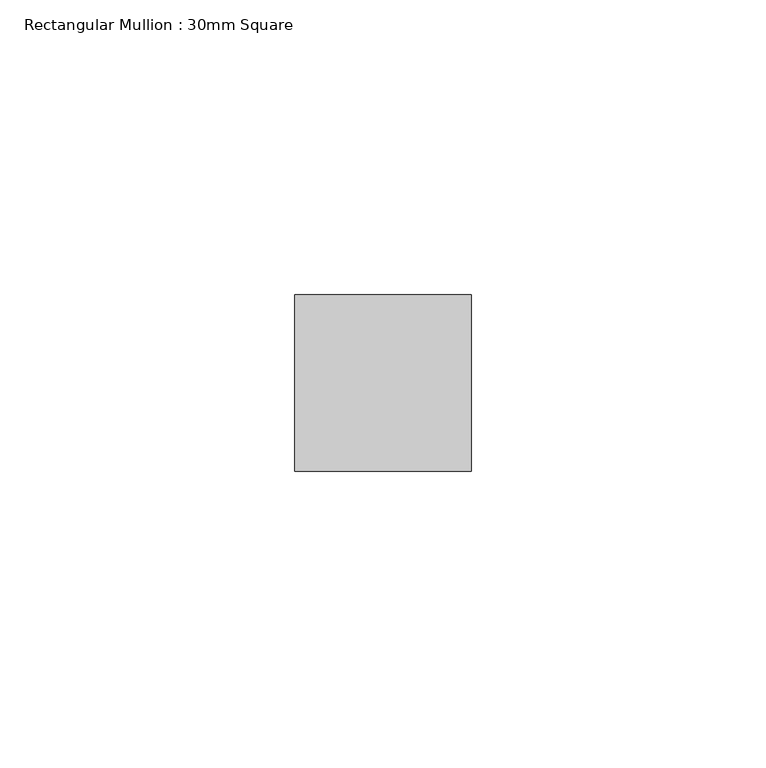
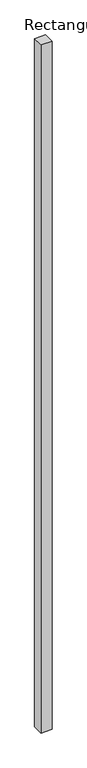
"""IFC4 building model written with IfcOpenShell, lengths in millimetres: member geometry, Rectangular Mullion : 30mm Square."""

from ifc_helpers import new_model, si_unit, frame, origin, place, context, project, spatial, polyline, outline, extrude, source, transform, mapped, element, save


def rectangular_mullion_30mm_square_1a264fd7(model_context):
    return source(origin(), model_context, "Body", "SweptSolid", [
        extrude(outline(polyline([(15.0, 15.0), (15.0, -15.0), (-15.0, -15.0), (-15.0, 15.0), (15.0, 15.0)])), frame((0.0, 0.0, -2000.0), z_axis=(0.0, 0.0, 1.0), x_axis=(1.0, 0.0, 0.0)), (0.0, 0.0, 1.0), 2000.0),
    ])


if __name__ == "__main__":
    model = new_model("IFC4")
    model_context = context("Model", 3, world=origin())
    ifc_project = project(units=[si_unit("LENGTHUNIT", "METRE", prefix="MILLI")], contexts=[model_context])
    site = spatial("IfcSite", under=ifc_project)
    building = spatial("IfcBuilding", under=site)
    placement = place(None, origin())
    rectangular_mullion_30mm_square_shape = rectangular_mullion_30mm_square_1a264fd7(model_context)
    element("IfcMember", 1, ObjectType="Rectangular Mullion : 30mm Square", at=placement, inside=building, context=model_context, shape_type="MappedRepresentation", body=[
        mapped(rectangular_mullion_30mm_square_shape, transform((0.0, 0.0, 0.0), x_axis=(1.0, 0.0, 0.0), y_axis=(0.0, 1.0, 0.0), z_axis=(0.0, 0.0, 1.0))),
    ])
    save(model, "model.ifc")
